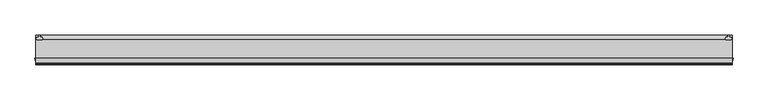
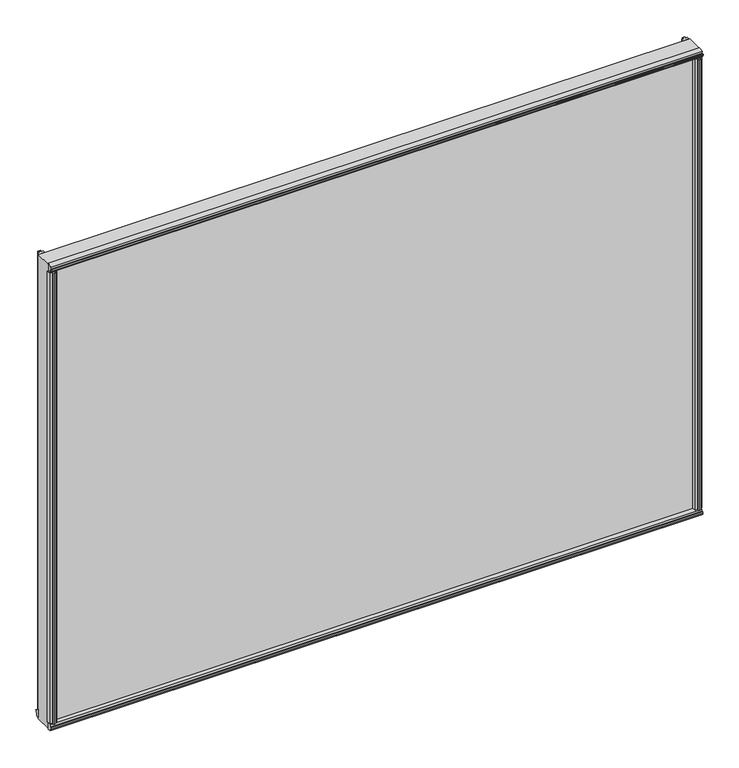
"""IFC4 building model written with IfcOpenShell, lengths in millimetres: plate geometry."""

from ifc_helpers import new_model, si_unit, point, frame, frame_2d, origin, origin_with_axes, place, context, project, spatial, polyline, circle_curve, trimmed, segment, composite_curve, outline, extrude, faceted_brep, source, transform, mapped, element, save


def plate_d33693cd(model_context):
    return source(origin(), model_context, "Body", "SolidModel", [
        extrude(outline(polyline([(569.8998, 4.7498), (573.405, 4.7498), (573.8876, 7.4676), (572.3382, 7.2136), (572.3382, 8.0264), (574.675, 8.4328), (577.0118, 8.0264), (577.0118, 7.2136), (575.4624, 7.4676), (575.945, 4.7498), (579.4502, 4.7498), (579.9779556, 2.498043), (579.4502, 0.0), (569.8998, 0.0), (569.3720444, 2.498043), (569.8998, 4.7498)])), frame((0.0, 0.0, 12.303125), z_axis=(0.0, 0.0, 1.0), x_axis=(1.0, 0.0, 0.0)), (0.0, 0.0, 1.0), 862.0997748),
        extrude(outline(polyline([(-575.945, 4.7498), (-575.4624, 7.4676), (-577.0118, 7.2136), (-577.0118, 8.0264), (-574.675, 8.4328), (-572.3382, 8.0264), (-572.3382, 7.2136), (-573.8876, 7.4676), (-573.405, 4.7498), (-569.8998, 4.7498), (-569.3720444, 2.498043), (-569.8998, 0.0), (-579.4502, 0.0), (-579.9779556, 2.498043), (-579.4502, 4.7498), (-575.945, 4.7498)])), frame((0.0, 0.0, 12.303125), z_axis=(0.0, 0.0, 1.0), x_axis=(1.0, 0.0, 0.0)), (0.0, 0.0, 1.0), 862.0997748),
        extrude(outline(composite_curve([segment(polyline([(7.9498938, 11.9799501), (5.5622938, 11.979889)]), True, "CONTINUOUS"), segment(trimmed(circle_curve(frame_2d((5.562314, 11.192489)), 0.7874), [point((5.5622938, 11.979889))], [point((4.774914, 11.1924689))], True, "CARTESIAN"), True, "CONTINUOUS"), segment(polyline([(4.774914, 11.1924689), (4.7749341, 10.4050689), (6.3497341, 10.4051092), (4.7751038, 4.6515669), (4.7751038, 3.7716729)]), True, "CONTINUOUS"), segment(trimmed(circle_curve(frame_2d((2.3494028, 3.8100148)), 2.426004), [point((4.7751038, 3.7716729))], [point((-0.0762962, 3.7715488))], False, "CARTESIAN"), True, "CONTINUOUS"), segment(polyline([(-0.0762962, 3.7715488), (-0.0766548, 17.7903564)]), True, "CONTINUOUS"), segment(trimmed(circle_curve(frame_2d((11.6053533, 25.4788125)), 13.9850517), [point((-0.0766548, 17.7903564))], [point((7.9498938, 11.9799501))], True, "CARTESIAN"), True, "CONTINUOUS")], self_intersect=False)), frame((-581.025, 0.0, 0.0), z_axis=(1.0, 0.0, 0.0), x_axis=(0.0, 1.0, 0.0)), (0.0, 0.0, 1.0), 1162.05),
        faceted_brep([(-581.025, -30.1466606, 11.5004847), (-581.025, -30.1503466, -2.0022926), (-581.025, -36.8781865, -0.7855191), (-581.025, -36.8628339, 3.5070534), (-581.025, -39.5788905, 3.9993706), (-581.025, -39.3304336, 2.4490721), (-581.025, -40.1432284, 2.4519791), (-581.025, -40.5412682, 4.7902176), (-581.025, -40.1265132, 7.1255492), (-581.025, -39.3137184, 7.1226422), (-581.025, -39.5732582, 5.5741605), (-581.025, -36.8537495, 6.0470372), (-581.025, -36.838397, 10.3396097), (581.025, -30.1466606, 11.5004847), (581.025, -36.838397, 10.3396097), (581.025, -36.8537495, 6.0470372), (581.025, -39.5732582, 5.5741605), (581.025, -39.3137184, 7.1226422), (581.025, -40.1265132, 7.1255492), (581.025, -40.5412682, 4.7902176), (581.025, -40.1432284, 2.4519791), (581.025, -39.3304336, 2.4490721), (581.025, -39.5788905, 3.9993706), (581.025, -36.796324, 3.4949977), (581.025, -36.8781865, -0.7855191), (581.025, -30.1503466, -2.0022926)], [[[0, 1, 2, 3, 4, 5, 6, 7, 8, 9, 10, 11, 12]], [[13, 14, 15, 16, 17, 18, 19, 20, 21, 22, 23, 24, 25]], [[1, 0, 13, 25]], [[2, 1, 25, 24]], [[3, 2, 24, 23]], [[4, 3, 23, 22]], [[5, 4, 22, 21]], [[6, 5, 21, 20]], [[7, 6, 20, 19]], [[8, 7, 19, 18]], [[9, 8, 18, 17]], [[10, 9, 17, 16]], [[11, 10, 16, 15]], [[12, 11, 15, 14]], [[0, 12, 14, 13]]]),
        extrude(outline(polyline([(576.253247, -39.5987618), (577.7992, -39.3510013), (577.7992, -40.1633446), (575.4624, -40.5611395), (573.1256, -40.1461237), (573.1256, -39.3328563), (574.6784571, -39.5931295), (574.2055804, -36.8736209), (569.9130079, -36.8736209), (568.7448239, -30.1244), (582.2631967, -30.1244), (581.0409134, -36.8827052), (576.7455642, -36.8827052), (576.253247, -39.5987618)])), frame((0.0, 0.0, 12.303125), z_axis=(0.0, 0.0, 1.0), x_axis=(1.0, 0.0, 0.0)), (0.0, 0.0, 1.0), 849.3997748),
        extrude(outline(polyline([(-574.6784571, -39.5931295), (-573.1299754, -39.3335897), (-573.1270684, -40.1463845), (-575.4624, -40.5611395), (-577.8006386, -40.1630997), (-577.8006386, -39.3503049), (-576.253247, -39.5987618), (-576.7455727, -36.8826581), (-581.0409219, -36.8826581), (-582.2631967, -30.1244), (-568.7448239, -30.1244), (-569.9130079, -36.8582683), (-574.2029109, -36.8582683), (-574.6784571, -39.5931295)])), frame((0.0, 0.0, 12.303125), z_axis=(0.0, 0.0, 1.0), x_axis=(1.0, 0.0, 0.0)), (0.0, 0.0, 1.0), 849.3997748),
        extrude(outline(polyline([(-581.025, 0.0), (581.025, 0.0), (581.025, -30.1244), (-581.025, -30.1244), (-581.025, 0.0)])), origin_with_axes(), (0.0, 0.0, 1.0), 874.4028998),
        extrude(outline(polyline([(-41.1923071, 870.4172793), (-40.3836033, 870.5297544), (-40.4217442, 868.9601362), (-37.7963354, 869.8125258), (-38.3876619, 874.0642017), (-30.1244, 875.9604616), (-30.1244, 861.514831), (-36.8551106, 863.0450655), (-37.4489919, 867.3151106), (-40.2048076, 867.4003498), (-39.7397916, 865.9007111), (-40.5448426, 865.7887439), (-41.269274, 868.0472819), (-41.1923071, 870.4172793)])), frame((-581.025, 0.0, 0.0), z_axis=(1.0, 0.0, 0.0), x_axis=(0.0, 1.0, 0.0)), (0.0, 0.0, 1.0), 1162.05),
    ])


if __name__ == "__main__":
    model = new_model("IFC4")
    model_context = context("Model", 3, world=origin())
    ifc_project = project(units=[si_unit("LENGTHUNIT", "METRE", prefix="MILLI")], contexts=[model_context])
    site = spatial("IfcSite", under=ifc_project)
    building = spatial("IfcBuilding", under=site)
    placement = place(None, origin())
    plate_shape = plate_d33693cd(model_context)
    element("IfcPlate", 1, at=placement, inside=building, context=model_context, shape_type="MappedRepresentation", body=[
        mapped(plate_shape, transform((0.0, 0.0, 0.0), x_axis=(1.0, 0.0, 0.0), y_axis=(0.0, 1.0, 0.0), z_axis=(0.0, 0.0, 1.0))),
    ])
    save(model, "model.ifc")
